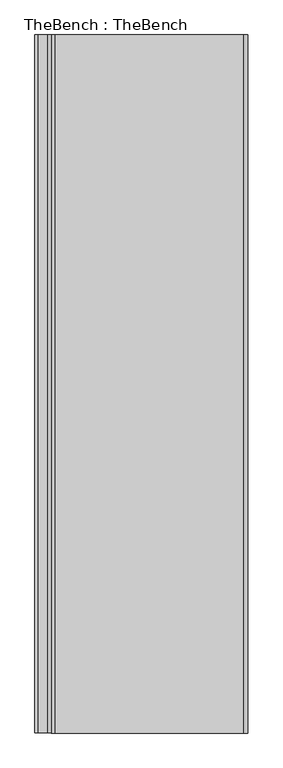
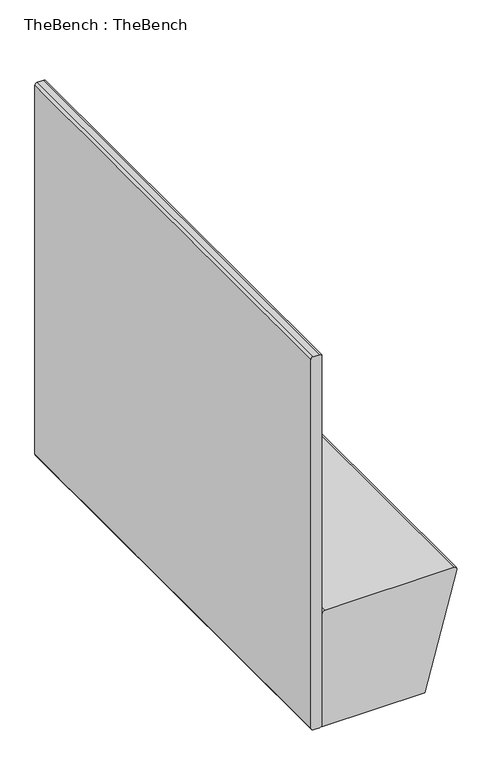
"""IFC4 building model written with IfcOpenShell, lengths in millimetres: furniture geometry, TheBench : TheBench."""

from ifc_helpers import new_model, si_unit, point, frame, frame_2d, origin, origin_with_axes, place, context, project, spatial, polyline, circle_curve, trimmed, segment, composite_curve, outline, extrude, source, transform, mapped, element, save
from ifc_brep_helpers import plane_surface, cylinder_surface, revolved_surface, advanced_brep


def thebench_thebench_ceec60af(model_context):
    return source(origin(), model_context, "Body", "SolidModel", [
        advanced_brep(
        [(491.0002544, -712.32272, 269.7713927), (472.1125282, -712.32272, 199.2187534), (469.8545879, -703.59147, 190.7845118), (469.8545879, -513.0539481, 190.7845118), (472.1125282, -504.3226981, 199.2187534), (490.9958028, -504.3226981, 269.7547646), (493.2581946, -513.0711617, 278.2056343), (493.2581946, -703.59147, 278.2056343), (486.52951, -563.221036, 253.0715097), (476.1788936, -563.221036, 214.4081315), (486.52951, -653.6574077, 253.0715097), (476.1788936, -653.6574077, 214.4081315), (488.5894416, -712.32272, 270.4167941), (490.8473819, -703.59147, 278.8510357), (490.8473819, -513.0711617, 278.8510357), (488.5849901, -504.3226981, 270.400166), (469.7017155, -504.3226981, 199.8641548), (467.4437752, -513.0539481, 191.4299131), (467.4437752, -703.59147, 191.4299131), (469.7017155, -712.32272, 199.8641548), (484.9318928, -563.221036, 253.4992096), (474.5812765, -563.221036, 214.8358313), (484.9318928, -653.6574077, 253.4992096), (474.5812765, -653.6574077, 214.8358313)],
        [
            (0, 1),
            (1, 2, circle_curve(frame((472.1125282, -703.59147, 199.2187534), z_axis=(0.9659832957045011, 0.0, -0.25860447099744893), x_axis=(0.25860447099744893, 0.0, 0.9659832957045011)), 8.73125)),
            (2, 3),
            (3, 4, circle_curve(frame((472.1125282, -513.0539481, 199.2187534), z_axis=(0.9659832957045011, 0.0, -0.25860447099744893), x_axis=(0.25860447099744893, 0.0, 0.9659832957045011)), 8.73125)),
            (4, 5),
            (5, 6, circle_curve(frame((490.9958028, -513.0711617, 269.7547646), z_axis=(0.9659832957045011, 0.0, -0.25860447099744893), x_axis=(0.25860447099744893, 0.0, 0.9659832957045011)), 8.7484636)),
            (6, 7),
            (7, 0, circle_curve(frame((491.0002544, -703.59147, 269.7713927), z_axis=(0.9659832957045011, 0.0, -0.25860447099744893), x_axis=(0.25860447099744893, 0.0, 0.9659832957045011)), 8.73125)),
            (8, 9, circle_curve(frame((481.3542018, -563.221036, 233.7398206), z_axis=(-0.9659832957045011, 0.0, 0.25860447099744893), x_axis=(-0.25860447099744893, 0.0, -0.9659832957045011)), 20.0124466)),
            (9, 8, circle_curve(frame((481.3542018, -563.221036, 233.7398206), z_axis=(-0.9659832957045011, 0.0, 0.25860447099744893), x_axis=(-0.25860447099744893, 0.0, -0.9659832957045011)), 20.0124466)),
            (10, 11, circle_curve(frame((481.3542018, -653.6574077, 233.7398206), z_axis=(-0.9659832957045011, 0.0, 0.25860447099744893), x_axis=(-0.25860447099744893, 0.0, -0.9659832957045011)), 20.0124466)),
            (11, 10, circle_curve(frame((481.3542018, -653.6574077, 233.7398206), z_axis=(-0.9659832957045011, 0.0, 0.25860447099744893), x_axis=(-0.25860447099744893, 0.0, -0.9659832957045011)), 20.0124466)),
            (12, 13, circle_curve(frame((488.5894416, -703.59147, 270.4167941), z_axis=(-0.9659832957045011, 0.0, 0.25860447099744893), x_axis=(0.25860447099744893, 0.0, 0.9659832957045011)), 8.73125)),
            (13, 14),
            (14, 15, circle_curve(frame((488.5849901, -513.0711617, 270.400166), z_axis=(-0.9659832957045011, 0.0, 0.25860447099744893), x_axis=(0.25860447099744893, 0.0, 0.9659832957045011)), 8.7484636)),
            (15, 16),
            (16, 17, circle_curve(frame((469.7017155, -513.0539481, 199.8641548), z_axis=(-0.9659832957045011, 0.0, 0.25860447099744893), x_axis=(0.25860447099744893, 0.0, 0.9659832957045011)), 8.73125)),
            (17, 18),
            (18, 19, circle_curve(frame((469.7017155, -703.59147, 199.8641548), z_axis=(-0.9659832957045011, 0.0, 0.25860447099744893), x_axis=(0.25860447099744893, 0.0, 0.9659832957045011)), 8.73125)),
            (19, 12),
            (0, 12),
            (19, 1),
            (18, 2),
            (17, 3),
            (16, 4),
            (15, 5),
            (14, 6),
            (13, 7),
            (20, 21, circle_curve(frame((479.7565846, -563.221036, 234.1675205), z_axis=(0.9659832957045011, 0.0, -0.25860447099744893), x_axis=(-0.25860447099744893, 0.0, -0.9659832957045011)), 20.0124466)),
            (21, 20, circle_curve(frame((479.7565846, -563.221036, 234.1675205), z_axis=(0.9659832957045011, 0.0, -0.25860447099744893), x_axis=(-0.25860447099744893, 0.0, -0.9659832957045011)), 20.0124466)),
            (22, 23, circle_curve(frame((479.7565846, -653.6574077, 234.1675205), z_axis=(0.9659832957045011, 0.0, -0.25860447099744893), x_axis=(-0.25860447099744893, 0.0, -0.9659832957045011)), 20.0124466)),
            (23, 22, circle_curve(frame((479.7565846, -653.6574077, 234.1675205), z_axis=(0.9659832957045011, 0.0, -0.25860447099744893), x_axis=(-0.25860447099744893, 0.0, -0.9659832957045011)), 20.0124466)),
            (21, 9),
            (8, 20),
            (23, 11),
            (10, 22),
        ],
        [
            plane_surface(frame((472.0525809, -712.32272, 198.9948279), z_axis=(0.9659832957045011, 0.0, -0.258604470997449), x_axis=(-0.258604470997449, 0.0, -0.9659832957045011))),
            plane_surface(frame((469.6417681, -712.32272, 199.6402293), z_axis=(-0.9659832957045011, 0.0, 0.258604470997449), x_axis=(0.258604470997449, 0.0, 0.9659832957045011))),
            plane_surface(frame((491.0002544, -712.32272, 269.7713927), z_axis=(0.0, -1.0, 0.0), x_axis=(-0.965983295704506, 0.0, 0.25860447099743056))),
            cylinder_surface(frame((469.7017155, -703.59147, 199.8641548), z_axis=(0.9659832957045011, 0.0, -0.25860447099744893), x_axis=(0.25860447099744893, 0.0, 0.9659832957045011)), 8.73125),
            plane_surface(frame((469.8545879, -703.59147, 190.7845118), z_axis=(-0.2586044709974432, 0.0, -0.9659832957045027), x_axis=(-0.9659832957045027, 0.0, 0.2586044709974432))),
            cylinder_surface(frame((469.7017155, -513.0539481, 199.8641548), z_axis=(0.9659832957045011, 0.0, -0.25860447099744893), x_axis=(0.25860447099744893, 0.0, 0.9659832957045011)), 8.73125),
            plane_surface(frame((472.1125282, -504.3226981, 199.2187534), z_axis=(0.0, 1.0000000000000002, 0.0), x_axis=(-0.9659832957045027, 0.0, 0.2586044709974432))),
            cylinder_surface(frame((488.5849901, -513.0711617, 270.400166), z_axis=(0.9659832957045011, 0.0, -0.25860447099744893), x_axis=(0.25860447099744893, 0.0, 0.9659832957045011)), 8.7484636),
            plane_surface(frame((493.2581946, -513.0711617, 278.2056343), z_axis=(0.25860447099745587, 0.0, 0.9659832957044993), x_axis=(-0.9659832957044993, 0.0, 0.25860447099745587))),
            cylinder_surface(frame((488.5894416, -703.59147, 270.4167941), z_axis=(0.9659832957045011, 0.0, -0.25860447099744893), x_axis=(0.25860447099744893, 0.0, 0.9659832957045011)), 8.73125),
            plane_surface(frame((474.5812765, -563.221036, 214.8358313), z_axis=(0.9659832957045011, 0.0, -0.25860447099744893), x_axis=(0.0, -1.0, 0.0))),
            revolved_surface(polyline([(474.5812764166266, -563.221036, 214.83583131466187), (476.1788936555573, -563.221036, 214.40813141263743)]), (495.0278487, -563.221036, 230.0792332), (-0.9659832957045011, 0.0, 0.25860447099744893)),
            revolved_surface(polyline([(474.5812764389062, -653.6574077, 214.83583139788405), (476.1788936778368, -653.6574077, 214.4081314958596)]), (478.9433891, -653.6574077, 234.385222), (-0.9659832957045011, 0.0, 0.25860447099744893)),
        ],
        [
            (0, [[1, 2, 3, 4, 5, 6, 7, 8], [9, 10], [11, 12]]),
            (1, [[13, 14, 15, 16, 17, 18, 19, 20]]),
            (2, [[-1, 21, -20, 22]]),
            (3, [[-2, -22, -19, 23]]),
            (4, [[-3, -23, -18, 24]]),
            (5, [[-4, -24, -17, 25]]),
            (6, [[-5, -25, -16, 26]]),
            (7, [[-6, -26, -15, 27]]),
            (8, [[-7, -27, -14, 28]]),
            (9, [[-8, -28, -13, -21]]),
            (10, [[29, 30]]),
            (10, [[31, 32]]),
            (11, [[-30, 33, -9, 34]]),
            (11, [[-29, -34, -10, -33]]),
            (12, [[-32, 35, -11, 36]]),
            (12, [[-31, -36, -12, -35]]),
        ],
    ),
        advanced_brep(
        [(491.0002544, -1250.8226994, 269.7713927), (472.1125282, -1250.8226994, 199.2187534), (469.8545879, -1242.0914494, 190.7845118), (469.8545879, -1051.5539275, 190.7845118), (472.1125282, -1042.8226775, 199.2187534), (490.9958028, -1042.8226775, 269.7547646), (493.2581946, -1051.5711411, 278.2056343), (493.2581946, -1242.0914494, 278.2056343), (486.52951, -1101.7210154, 253.0715097), (476.1788936, -1101.7210154, 214.4081315), (486.52951, -1192.1573871, 253.0715097), (476.1788936, -1192.1573871, 214.4081315), (488.5894416, -1250.8226994, 270.4167941), (490.8473819, -1242.0914494, 278.8510357), (490.8473819, -1051.5711411, 278.8510357), (488.5849901, -1042.8226775, 270.400166), (469.7017155, -1042.8226775, 199.8641548), (467.4437752, -1051.5539275, 191.4299131), (467.4437752, -1242.0914494, 191.4299131), (469.7017155, -1250.8226994, 199.8641548), (484.9318928, -1101.7210154, 253.4992096), (474.5812765, -1101.7210154, 214.8358313), (484.9318928, -1192.1573871, 253.4992096), (474.5812765, -1192.1573871, 214.8358313)],
        [
            (0, 1),
            (1, 2, circle_curve(frame((472.1125282, -1242.0914494, 199.2187534), z_axis=(0.9659832957045011, 0.0, -0.25860447099744893), x_axis=(0.25860447099744893, 0.0, 0.9659832957045011)), 8.73125)),
            (2, 3),
            (3, 4, circle_curve(frame((472.1125282, -1051.5539275, 199.2187534), z_axis=(0.9659832957045011, 0.0, -0.25860447099744893), x_axis=(0.25860447099744893, 0.0, 0.9659832957045011)), 8.73125)),
            (4, 5),
            (5, 6, circle_curve(frame((490.9958028, -1051.5711411, 269.7547646), z_axis=(0.9659832957045011, 0.0, -0.25860447099744893), x_axis=(0.25860447099744893, 0.0, 0.9659832957045011)), 8.7484636)),
            (6, 7),
            (7, 0, circle_curve(frame((491.0002544, -1242.0914494, 269.7713927), z_axis=(0.9659832957045011, 0.0, -0.25860447099744893), x_axis=(0.25860447099744893, 0.0, 0.9659832957045011)), 8.73125)),
            (8, 9, circle_curve(frame((481.3542018, -1101.7210154, 233.7398206), z_axis=(-0.9659832957045011, 0.0, 0.25860447099744893), x_axis=(-0.25860447099744893, 0.0, -0.9659832957045011)), 20.0124466)),
            (9, 8, circle_curve(frame((481.3542018, -1101.7210154, 233.7398206), z_axis=(-0.9659832957045011, 0.0, 0.25860447099744893), x_axis=(-0.25860447099744893, 0.0, -0.9659832957045011)), 20.0124466)),
            (10, 11, circle_curve(frame((481.3542018, -1192.1573871, 233.7398206), z_axis=(-0.9659832957045011, 0.0, 0.25860447099744893), x_axis=(-0.25860447099744893, 0.0, -0.9659832957045011)), 20.0124466)),
            (11, 10, circle_curve(frame((481.3542018, -1192.1573871, 233.7398206), z_axis=(-0.9659832957045011, 0.0, 0.25860447099744893), x_axis=(-0.25860447099744893, 0.0, -0.9659832957045011)), 20.0124466)),
            (12, 13, circle_curve(frame((488.5894416, -1242.0914494, 270.4167941), z_axis=(-0.9659832957045011, 0.0, 0.25860447099744893), x_axis=(0.25860447099744893, 0.0, 0.9659832957045011)), 8.73125)),
            (13, 14),
            (14, 15, circle_curve(frame((488.5849901, -1051.5711411, 270.400166), z_axis=(-0.9659832957045011, 0.0, 0.25860447099744893), x_axis=(0.25860447099744893, 0.0, 0.9659832957045011)), 8.7484636)),
            (15, 16),
            (16, 17, circle_curve(frame((469.7017155, -1051.5539275, 199.8641548), z_axis=(-0.9659832957045011, 0.0, 0.25860447099744893), x_axis=(0.25860447099744893, 0.0, 0.9659832957045011)), 8.73125)),
            (17, 18),
            (18, 19, circle_curve(frame((469.7017155, -1242.0914494, 199.8641548), z_axis=(-0.9659832957045011, 0.0, 0.25860447099744893), x_axis=(0.25860447099744893, 0.0, 0.9659832957045011)), 8.73125)),
            (19, 12),
            (0, 12),
            (19, 1),
            (18, 2),
            (17, 3),
            (16, 4),
            (15, 5),
            (14, 6),
            (13, 7),
            (20, 21, circle_curve(frame((479.7565846, -1101.7210154, 234.1675205), z_axis=(0.9659832957045011, 0.0, -0.25860447099744893), x_axis=(-0.25860447099744893, 0.0, -0.9659832957045011)), 20.0124466)),
            (21, 20, circle_curve(frame((479.7565846, -1101.7210154, 234.1675205), z_axis=(0.9659832957045011, 0.0, -0.25860447099744893), x_axis=(-0.25860447099744893, 0.0, -0.9659832957045011)), 20.0124466)),
            (22, 23, circle_curve(frame((479.7565846, -1192.1573871, 234.1675205), z_axis=(0.9659832957045011, 0.0, -0.25860447099744893), x_axis=(-0.25860447099744893, 0.0, -0.9659832957045011)), 20.0124466)),
            (23, 22, circle_curve(frame((479.7565846, -1192.1573871, 234.1675205), z_axis=(0.9659832957045011, 0.0, -0.25860447099744893), x_axis=(-0.25860447099744893, 0.0, -0.9659832957045011)), 20.0124466)),
            (21, 9),
            (8, 20),
            (23, 11),
            (10, 22),
        ],
        [
            plane_surface(frame((472.0525809, -1250.8226994, 198.9948279), z_axis=(0.9659832957045011, 0.0, -0.258604470997449), x_axis=(-0.258604470997449, 0.0, -0.9659832957045011))),
            plane_surface(frame((469.6417681, -1250.8226994, 199.6402293), z_axis=(-0.9659832957045011, 0.0, 0.258604470997449), x_axis=(0.258604470997449, 0.0, 0.9659832957045011))),
            plane_surface(frame((491.0002544, -1250.8226994, 269.7713927), z_axis=(0.0, -1.0, 0.0), x_axis=(-0.9659832957044993, 0.0, 0.25860447099745587))),
            cylinder_surface(frame((469.7017155, -1242.0914494, 199.8641548), z_axis=(0.9659832957045011, 0.0, -0.25860447099744893), x_axis=(0.25860447099744893, 0.0, 0.9659832957045011)), 8.73125),
            plane_surface(frame((469.8545879, -1242.0914494, 190.7845118), z_axis=(-0.25860447099744993, 0.0, -0.9659832957045008), x_axis=(-0.9659832957045008, 0.0, 0.25860447099744993))),
            cylinder_surface(frame((469.7017155, -1051.5539275, 199.8641548), z_axis=(0.9659832957045011, 0.0, -0.25860447099744893), x_axis=(0.25860447099744893, 0.0, 0.9659832957045011)), 8.73125),
            plane_surface(frame((472.1125282, -1042.8226775, 199.2187534), z_axis=(0.0, 1.0000000000000002, 0.0), x_axis=(-0.9659832957045027, 0.0, 0.2586044709974432))),
            cylinder_surface(frame((488.5849901, -1051.5711411, 270.400166), z_axis=(0.9659832957045011, 0.0, -0.25860447099744893), x_axis=(0.25860447099744893, 0.0, 0.9659832957045011)), 8.7484636),
            plane_surface(frame((493.2581946, -1051.5711411, 278.2056343), z_axis=(0.25860447099745587, 0.0, 0.9659832957044993), x_axis=(-0.9659832957044993, 0.0, 0.25860447099745587))),
            cylinder_surface(frame((488.5894416, -1242.0914494, 270.4167941), z_axis=(0.9659832957045011, 0.0, -0.25860447099744893), x_axis=(0.25860447099744893, 0.0, 0.9659832957045011)), 8.73125),
            plane_surface(frame((474.5812765, -1101.7210154, 214.8358313), z_axis=(0.9659832957045011, 0.0, -0.25860447099744893), x_axis=(0.0, -1.0, 0.0))),
            revolved_surface(polyline([(474.5812764166266, -1101.7210154, 214.83583131466187), (476.1788936555573, -1101.7210154, 214.40813141263743)]), (495.0278487, -1101.7210154, 230.0792332), (-0.9659832957045011, 0.0, 0.25860447099744893)),
            revolved_surface(polyline([(474.5812764389062, -1192.1573871, 214.83583139788405), (476.1788936778368, -1192.1573871, 214.4081314958596)]), (478.9433891, -1192.1573871, 234.385222), (-0.9659832957045011, 0.0, 0.25860447099744893)),
        ],
        [
            (0, [[1, 2, 3, 4, 5, 6, 7, 8], [9, 10], [11, 12]]),
            (1, [[13, 14, 15, 16, 17, 18, 19, 20]]),
            (2, [[-1, 21, -20, 22]]),
            (3, [[-2, -22, -19, 23]]),
            (4, [[-3, -23, -18, 24]]),
            (5, [[-4, -24, -17, 25]]),
            (6, [[-5, -25, -16, 26]]),
            (7, [[-6, -26, -15, 27]]),
            (8, [[-7, -27, -14, 28]]),
            (9, [[-8, -28, -13, -21]]),
            (10, [[29, 30]]),
            (10, [[31, 32]]),
            (11, [[-30, 33, -9, 34]]),
            (11, [[-29, -34, -10, -33]]),
            (12, [[-32, 35, -11, 36]]),
            (12, [[-31, -36, -12, -35]]),
        ],
    ),
        extrude(outline(composite_curve([segment(trimmed(circle_curve(frame_2d((396.4499745, -22.3217092)), 10.0000255), [point((386.449949, -22.3217092))], [point((406.45, -22.3217092))], False, "CARTESIAN"), True, "CONTINUOUS"), segment(trimmed(circle_curve(frame_2d((396.4499745, -22.3217092)), 10.0000255), [point((406.45, -22.3217092))], [point((386.449949, -22.3217092))], False, "CARTESIAN"), True, "CONTINUOUS")], self_intersect=False)), origin_with_axes(), (0.0, 0.0, 1.0), 10.0000005),
        extrude(outline(composite_curve([segment(trimmed(circle_curve(frame_2d((64.4499723, -22.3217092)), 10.0000255), [point((54.4499468, -22.3217092))], [point((74.4499978, -22.3217092))], False, "CARTESIAN"), True, "CONTINUOUS"), segment(trimmed(circle_curve(frame_2d((64.4499723, -22.3217092)), 10.0000255), [point((74.4499978, -22.3217092))], [point((54.4499468, -22.3217092))], False, "CARTESIAN"), True, "CONTINUOUS")], self_intersect=False)), origin_with_axes(), (0.0, 0.0, 1.0), 10.0000005),
        extrude(outline(composite_curve([segment(trimmed(circle_curve(frame_2d((396.4499745, -1732.3217117)), 10.0000255), [point((386.449949, -1732.3217117))], [point((406.45, -1732.3217117))], False, "CARTESIAN"), True, "CONTINUOUS"), segment(trimmed(circle_curve(frame_2d((396.4499745, -1732.3217117)), 10.0000255), [point((406.45, -1732.3217117))], [point((386.449949, -1732.3217117))], False, "CARTESIAN"), True, "CONTINUOUS")], self_intersect=False)), origin_with_axes(), (0.0, 0.0, 1.0), 10.0000005),
        extrude(outline(composite_curve([segment(trimmed(circle_curve(frame_2d((64.4499723, -1732.3217117)), 10.0000255), [point((54.4499468, -1732.3217117))], [point((74.4499978, -1732.3217117))], False, "CARTESIAN"), True, "CONTINUOUS"), segment(trimmed(circle_curve(frame_2d((64.4499723, -1732.3217117)), 10.0000255), [point((74.4499978, -1732.3217117))], [point((54.4499468, -1732.3217117))], False, "CARTESIAN"), True, "CONTINUOUS")], self_intersect=False)), origin_with_axes(), (0.0, 0.0, 1.0), 10.0000005),
        extrude(outline(composite_curve([segment(polyline([(1451.1596297, 0.0), (18.8312995, 0.0)]), True, "CONTINUOUS"), segment(trimmed(circle_curve(frame_2d((18.8312995, 8.831299)), 8.831299), [point((18.8312995, 0.0))], [point((10.0000005, 8.831299))], False, "CARTESIAN"), True, "CONTINUOUS"), segment(polyline([(10.0000005, 8.831299), (10.0000005, 31.75)]), True, "CONTINUOUS"), segment(trimmed(circle_curve(frame_2d((18.8304693, 31.75)), 8.8304687), [point((10.0000005, 31.75))], [point((18.8304693, 40.5804688))], False, "CARTESIAN"), True, "CONTINUOUS"), segment(polyline([(18.8304693, 40.5804688), (1451.1596297, 40.5804688)]), True, "CONTINUOUS"), segment(trimmed(circle_curve(frame_2d((1451.1596297, 31.75)), 8.8304687), [point((1451.1596297, 40.5804688))], [point((1459.9900985, 31.75))], False, "CARTESIAN"), True, "CONTINUOUS"), segment(polyline([(1459.9900985, 31.75), (1459.9900985, 8.8304688)]), True, "CONTINUOUS"), segment(trimmed(circle_curve(frame_2d((1451.1596297, 8.8304688)), 8.8304688), [point((1459.9900985, 8.8304688))], [point((1451.1596297, 0.0))], False, "CARTESIAN"), True, "CONTINUOUS")], self_intersect=False)), frame((0.0, -1757.3217251, 0.0), z_axis=(0.0, 1.0, 0.0), x_axis=(0.0, 0.0, 1.0)), (0.0, 0.0, 1.0), 1757.3217251),
        extrude(outline(composite_curve([segment(trimmed(circle_curve(frame_2d((450.1340275, 50.446452)), 9.8659833), [point((460.0000108, 50.446452))], [point((450.1340275, 40.5804688))], False, "CARTESIAN"), True, "CONTINUOUS"), segment(polyline([(450.1340275, 40.5804688), (10.0000005, 40.5804688), (10.0000005, 418.8729699), (447.3618068, 535.9595893)]), True, "CONTINUOUS"), segment(trimmed(circle_curve(frame_2d((449.9585686, 526.259724)), 10.0414421), [point((447.3618068, 535.9595893))], [point((460.0000108, 526.259724))], False, "CARTESIAN"), True, "CONTINUOUS"), segment(polyline([(460.0000108, 526.259724), (460.0000108, 50.446452)]), True, "CONTINUOUS")], self_intersect=False)), frame((0.0, -1757.3217251, 0.0), z_axis=(0.0, 1.0, 0.0), x_axis=(0.0, 0.0, 1.0)), (0.0, 0.0, 1.0), 1757.3217251),
    ])


if __name__ == "__main__":
    model = new_model("IFC4")
    model_context = context("Model", 3, world=origin())
    ifc_project = project(units=[si_unit("LENGTHUNIT", "METRE", prefix="MILLI")], contexts=[model_context])
    site = spatial("IfcSite", under=ifc_project)
    building = spatial("IfcBuilding", under=site)
    placement = place(None, origin())
    thebench_thebench_shape = thebench_thebench_ceec60af(model_context)
    element("IfcFurniture", 1, ObjectType="TheBench : TheBench", at=placement, inside=building, context=model_context, shape_type="MappedRepresentation", body=[
        mapped(thebench_thebench_shape, transform((0.0, 0.0, 0.0), x_axis=(1.0, 0.0, 0.0), y_axis=(0.0, 1.0, 0.0), z_axis=(0.0, 0.0, 1.0))),
    ])
    save(model, "model.ifc")
